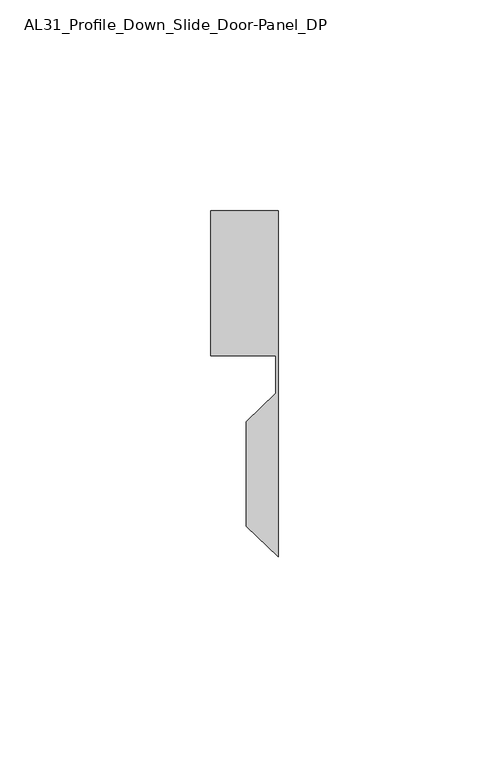
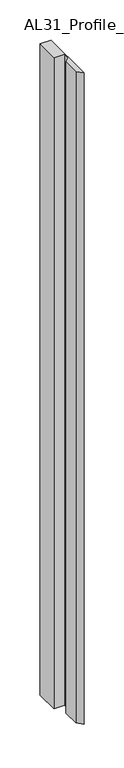
"""IFC4 building model written with IfcOpenShell, lengths in millimetres: member geometry, AL31_Profile_Down_Slide_Door-Panel_DP."""

from ifc_helpers import new_model, si_unit, frame, origin, place, context, project, spatial, polyline, outline, extrude, source, transform, mapped, element, save


def al31_profile_down_slide_door_panel_dp_3ecb866b(model_context):
    return source(origin(), model_context, "Body", "SweptSolid", [
        extrude(outline(polyline([(0.0, 37.107), (0.0, -45.1094902), (-7.6107048, -37.8269611), (-7.6107048, -13.0546075), (-0.5072866, -6.2574907), (-0.5072866, 2.607), (-16.0427074, 2.607), (-16.0427074, 37.107), (0.0, 37.107)])), frame((0.0, 0.0, -989.9001021), z_axis=(0.0, 0.0, 1.0), x_axis=(1.0, 0.0, 0.0)), (0.0, 0.0, 1.0), 989.9001021),
    ])


if __name__ == "__main__":
    model = new_model("IFC4")
    model_context = context("Model", 3, world=origin())
    ifc_project = project(units=[si_unit("LENGTHUNIT", "METRE", prefix="MILLI")], contexts=[model_context])
    site = spatial("IfcSite", under=ifc_project)
    building = spatial("IfcBuilding", under=site)
    placement = place(None, origin())
    al31_profile_down_slide_door_panel_dp_shape = al31_profile_down_slide_door_panel_dp_3ecb866b(model_context)
    element("IfcMember", 1, ObjectType="AL31_Profile_Down_Slide_Door-Panel_DP", at=placement, inside=building, context=model_context, shape_type="MappedRepresentation", body=[
        mapped(al31_profile_down_slide_door_panel_dp_shape, transform((0.0, 0.0, 0.0), x_axis=(1.0, 0.0, 0.0), y_axis=(0.0, 1.0, 0.0), z_axis=(0.0, 0.0, 1.0))),
    ])
    save(model, "model.ifc")
